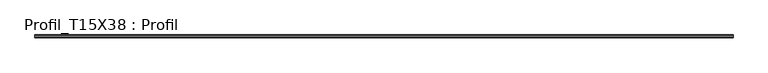
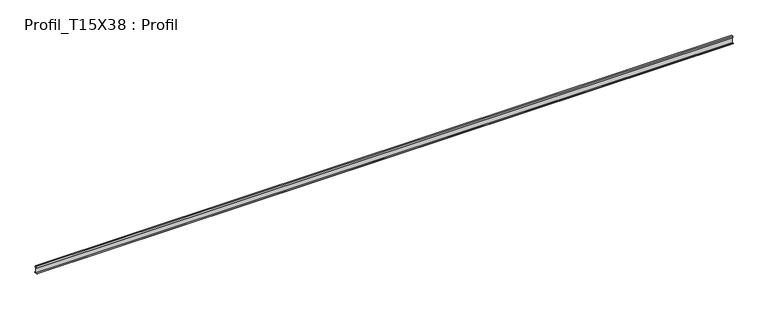
"""IFC4 building model written with IfcOpenShell, lengths in millimetres: proxy geometry, Profil_T15X38 : Profil."""

from ifc_helpers import new_model, si_unit, frame, origin, place, context, project, spatial, polyline, outline, extrude, source, transform, mapped, element, save


def profil_t15x38_profil_e576f4bf(model_context):
    return source(origin(), model_context, "Body", "SweptSolid", [
        extrude(outline(polyline([(7.5, 0.0), (-7.5, 0.0), (-7.5, 1.25), (-0.6, 1.25), (-0.6, 28.4), (-3.0, 28.4), (-3.0, 38.4), (3.0, 38.4), (3.0, 28.4), (0.6, 28.4), (0.6, 1.25), (7.5, 1.25), (7.5, 0.0)])), frame((0.0, 0.0, 0.0), z_axis=(1.0, 0.0, 0.0), x_axis=(0.0, 1.0, 0.0)), (0.0, 0.0, 1.0), 3600.0),
    ])


if __name__ == "__main__":
    model = new_model("IFC4")
    model_context = context("Model", 3, world=origin())
    ifc_project = project(units=[si_unit("LENGTHUNIT", "METRE", prefix="MILLI")], contexts=[model_context])
    site = spatial("IfcSite", under=ifc_project)
    building = spatial("IfcBuilding", under=site)
    placement = place(None, origin())
    profil_t15x38_profil_shape = profil_t15x38_profil_e576f4bf(model_context)
    element("IfcBuildingElementProxy", 1, Name="Profil_T15X38 : Profil", ObjectType="Profil_T15X38 : Profil", at=placement, inside=building, context=model_context, shape_type="MappedRepresentation", body=[
        mapped(profil_t15x38_profil_shape, transform((0.0, 0.0, 0.0), x_axis=(1.0, 0.0, 0.0), y_axis=(0.0, 1.0, 0.0), z_axis=(0.0, 0.0, 1.0))),
    ])
    save(model, "model.ifc")
